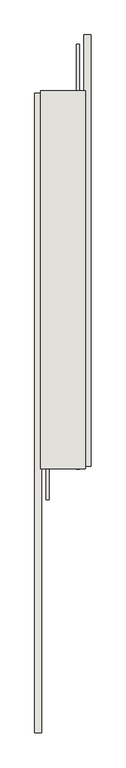
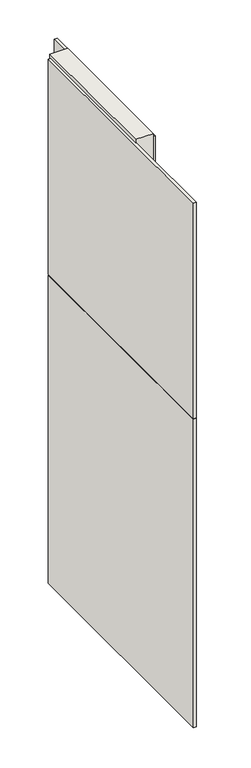
"""IFC4 building model written with IfcOpenShell, lengths in millimetres: wall geometry."""

from ifc_helpers import new_model, si_unit, frame, origin, place, context, project, spatial, polyline, outline, extrude, source, transform, mapped, element, save


def wall_e7d16e69(model_context):
    return source(origin(), model_context, "Body", "SweptSolid", [
        extrude(outline(polyline([(76255.282211, -39471.0307352), (76255.282211, -39473.5707352), (76252.742211, -39473.5707352), (76252.742211, -39471.0307352), (76255.282211, -39471.0307352)])), frame((0.0, 0.0, 4419.6), z_axis=(0.0, 0.0, 1.0), x_axis=(1.0, 0.0, 0.0)), (0.0, 0.0, 1.0), 2.54),
        extrude(outline(polyline([(76203.212211, -40630.8953192), (76203.212211, -39475.4956996), (76215.912211, -39475.4956996), (76215.912211, -40630.8953192), (76203.212211, -40630.8953192)])), frame((0.0, 0.0, 5945.6000722), z_axis=(0.0, 0.0, 1.0), x_axis=(1.0, 0.0, 0.0)), (0.0, 0.0, 1.0), 1044.449905),
        extrude(outline(polyline([(76203.212211, -40630.8953192), (76203.212211, -39475.4956996), (76215.912211, -39475.4956996), (76215.912211, -40630.8953192), (76203.212211, -40630.8953192)])), frame((0.0, 0.0, 4445.0), z_axis=(0.0, 0.0, 1.0), x_axis=(1.0, 0.0, 0.0)), (0.0, 0.0, 1.0), 1496.600004),
        extrude(outline(polyline([(76304.812211, -39369.715774), (76304.812211, -40149.4366428), (76292.112211, -40149.4366428), (76292.112211, -39369.715774), (76304.812211, -39369.715774)])), frame((0.0, 0.0, 4445.0), z_axis=(0.0, 0.0, 1.0), x_axis=(1.0, 0.0, 0.0)), (0.0, 0.0, 1.0), 2545.0498756),
        extrude(outline(polyline([(76228.9284664, -39471.0418858), (76228.9284664, -40209.2169906), (76223.849711, -40209.2169906), (76223.849711, -39471.0418858), (76228.9284664, -39471.0418858)])), frame((0.0, 0.0, 4418.6602), z_axis=(0.0, 0.0, 1.0), x_axis=(1.0, 0.0, 0.0)), (0.0, 0.0, 1.0), 47.625),
        extrude(outline(polyline([(76228.9284664, -39471.0418858), (76228.9284664, -40209.2169906), (76223.849711, -40209.2169906), (76223.849711, -39471.0418858), (76228.9284664, -39471.0418858)])), frame((0.0, 0.0, 4418.6602), z_axis=(0.0, 0.0, 1.0), x_axis=(1.0, 0.0, 0.0)), (0.0, 0.0, 1.0), 47.625),
        extrude(outline(polyline([(76279.0959556, -40153.8963494), (76279.0959556, -39385.9525208), (76284.174711, -39385.9525208), (76284.174711, -40153.8963494), (76279.0959556, -40153.8963494)])), frame((0.0, 0.0, 4418.6602), z_axis=(0.0, 0.0, 1.0), x_axis=(1.0, 0.0, 0.0)), (0.0, 0.0, 1.0), 47.625),
        extrude(outline(polyline([(76279.0959556, -40153.8963494), (76279.0959556, -39385.9525208), (76284.174711, -39385.9525208), (76284.174711, -40153.8963494), (76279.0959556, -40153.8963494)])), frame((0.0, 0.0, 4418.6602), z_axis=(0.0, 0.0, 1.0), x_axis=(1.0, 0.0, 0.0)), (0.0, 0.0, 1.0), 47.625),
        extrude(outline(polyline([(76213.3573266, -39471.0418858), (76294.6670954, -39471.0418858), (76294.6670954, -40153.8963494), (76213.3573266, -40153.8963494), (76213.3573266, -39471.0418858)])), frame((0.0, 0.0, 4445.0), z_axis=(0.0, 0.0, 1.0), x_axis=(1.0, 0.0, 0.0)), (0.0, 0.0, 1.0), 2562.4536762),
    ])


if __name__ == "__main__":
    model = new_model("IFC4")
    model_context = context("Model", 3, world=origin())
    ifc_project = project(units=[si_unit("LENGTHUNIT", "METRE", prefix="MILLI")], contexts=[model_context])
    site = spatial("IfcSite", under=ifc_project)
    building = spatial("IfcBuilding", under=site)
    placement = place(None, origin())
    wall_shape = wall_e7d16e69(model_context)
    element("IfcWall", 1, at=placement, inside=building, context=model_context, shape_type="MappedRepresentation", body=[
        mapped(wall_shape, transform((0.0, 0.0, 0.0), x_axis=(1.0, 0.0, 0.0), y_axis=(0.0, 1.0, 0.0), z_axis=(0.0, 0.0, 1.0))),
    ])
    save(model, "model.ifc")
